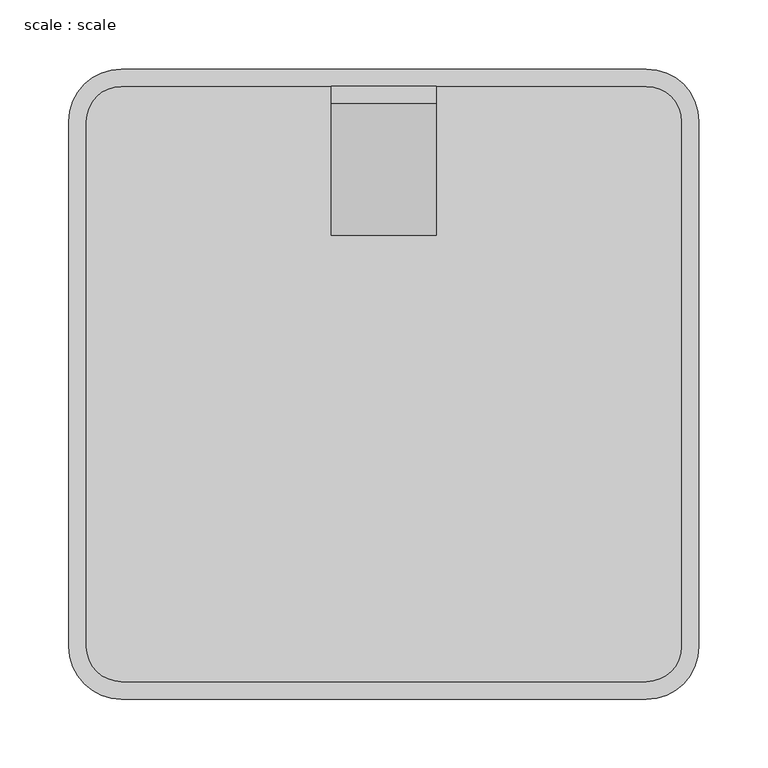
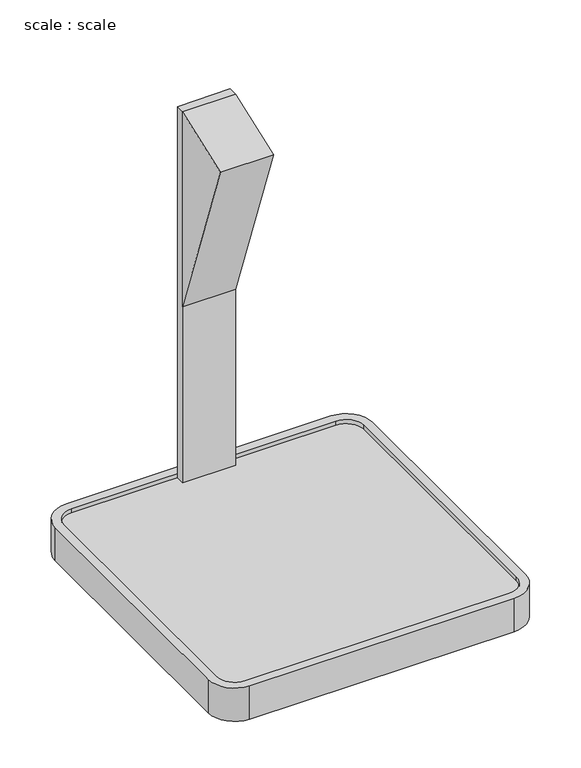
"""IFC4 building model written with IfcOpenShell, lengths in millimetres: proxy geometry, scale : scale."""

from ifc_helpers import new_model, si_unit, point, frame, frame_2d, origin, origin_with_axes, place, context, project, spatial, polyline, circle_curve, trimmed, segment, composite_curve, outline, extrude, source, transform, mapped, element, save


def scale_scale_8a30a7a0(model_context):
    return source(origin(), model_context, "Body", "SweptSolid", [
        extrude(outline(polyline([(-120.8727703, 574.8507534), (-25.4, 609.6), (-25.4, 312.5414729), (-120.8727703, 574.8507534)])), frame((190.5, 0.0, 0.0), z_axis=(1.0, 0.0, 0.0), x_axis=(0.0, 1.0, 0.0)), (0.0, 0.0, 1.0), 76.2),
        extrude(outline(polyline([(266.7, -12.7), (266.7, -25.4), (190.5, -25.4), (190.5, -12.7), (266.7, -12.7)])), frame((0.0, 0.0, 44.45), z_axis=(0.0, 0.0, 1.0), x_axis=(1.0, 0.0, 0.0)), (0.0, 0.0, 1.0), 565.15),
        extrude(outline(composite_curve([segment(polyline([(419.1, -444.5), (38.1, -444.5)]), True, "CONTINUOUS"), segment(trimmed(circle_curve(frame_2d((38.1, -419.1)), 25.4), [point((38.1, -444.5))], [point((12.7, -419.1))], False, "CARTESIAN"), True, "CONTINUOUS"), segment(polyline([(12.7, -419.1), (12.7, -38.1)]), True, "CONTINUOUS"), segment(trimmed(circle_curve(frame_2d((38.1, -38.1)), 25.4), [point((12.7, -38.1))], [point((38.1, -12.7))], False, "CARTESIAN"), True, "CONTINUOUS"), segment(polyline([(38.1, -12.7), (419.1, -12.7)]), True, "CONTINUOUS"), segment(trimmed(circle_curve(frame_2d((419.1, -38.1)), 25.4), [point((419.1, -12.7))], [point((444.5, -38.1))], False, "CARTESIAN"), True, "CONTINUOUS"), segment(polyline([(444.5, -38.1), (444.5, -419.1)]), True, "CONTINUOUS"), segment(trimmed(circle_curve(frame_2d((419.1, -419.1)), 25.4), [point((444.5, -419.1))], [point((419.1, -444.5))], False, "CARTESIAN"), True, "CONTINUOUS")], self_intersect=False)), origin_with_axes(), (0.0, 0.0, 1.0), 44.45),
        extrude(outline(composite_curve([segment(polyline([(0.0, -419.1), (0.0, -38.1)]), True, "CONTINUOUS"), segment(trimmed(circle_curve(frame_2d((38.1, -38.1)), 38.1), [point((0.0, -38.1))], [point((38.1, 0.0))], False, "CARTESIAN"), True, "CONTINUOUS"), segment(polyline([(38.1, 0.0), (419.1, 0.0)]), True, "CONTINUOUS"), segment(trimmed(circle_curve(frame_2d((419.1, -38.1)), 38.1), [point((419.1, 0.0))], [point((457.2, -38.1))], False, "CARTESIAN"), True, "CONTINUOUS"), segment(polyline([(457.2, -38.1), (457.2, -419.1)]), True, "CONTINUOUS"), segment(trimmed(circle_curve(frame_2d((419.1, -419.1)), 38.1), [point((457.2, -419.1))], [point((419.1, -457.2))], False, "CARTESIAN"), True, "CONTINUOUS"), segment(polyline([(419.1, -457.2), (38.1, -457.2)]), True, "CONTINUOUS"), segment(trimmed(circle_curve(frame_2d((38.1, -419.1)), 38.1), [point((38.1, -457.2))], [point((0.0, -419.1))], False, "CARTESIAN"), True, "CONTINUOUS")], self_intersect=False), holes=[composite_curve([segment(polyline([(38.1, -444.5), (419.1, -444.5)]), True, "CONTINUOUS"), segment(trimmed(circle_curve(frame_2d((419.1, -419.1)), 25.4), [point((419.1, -444.5))], [point((444.5, -419.1))], True, "CARTESIAN"), True, "CONTINUOUS"), segment(polyline([(444.5, -419.1), (444.5, -38.1)]), True, "CONTINUOUS"), segment(trimmed(circle_curve(frame_2d((419.1, -38.1)), 25.4), [point((444.5, -38.1))], [point((419.1, -12.7))], True, "CARTESIAN"), True, "CONTINUOUS"), segment(polyline([(419.1, -12.7), (38.1, -12.7)]), True, "CONTINUOUS"), segment(trimmed(circle_curve(frame_2d((38.1, -38.1)), 25.4), [point((38.1, -12.7))], [point((12.7, -38.1))], True, "CARTESIAN"), True, "CONTINUOUS"), segment(polyline([(12.7, -38.1), (12.7, -419.1)]), True, "CONTINUOUS"), segment(trimmed(circle_curve(frame_2d((38.1, -419.1)), 25.4), [point((12.7, -419.1))], [point((38.1, -444.5))], True, "CARTESIAN"), True, "CONTINUOUS")], self_intersect=False)]), origin_with_axes(), (0.0, 0.0, 1.0), 50.8),
    ])


if __name__ == "__main__":
    model = new_model("IFC4")
    model_context = context("Model", 3, world=origin())
    ifc_project = project(units=[si_unit("LENGTHUNIT", "METRE", prefix="MILLI")], contexts=[model_context])
    site = spatial("IfcSite", under=ifc_project)
    building = spatial("IfcBuilding", under=site)
    placement = place(None, origin())
    scale_scale_shape = scale_scale_8a30a7a0(model_context)
    element("IfcBuildingElementProxy", 1, Name="scale : scale", ObjectType="scale : scale", at=placement, inside=building, context=model_context, shape_type="MappedRepresentation", body=[
        mapped(scale_scale_shape, transform((0.0, 0.0, 0.0), x_axis=(1.0, 0.0, 0.0), y_axis=(0.0, 1.0, 0.0), z_axis=(0.0, 0.0, 1.0))),
    ])
    save(model, "model.ifc")
